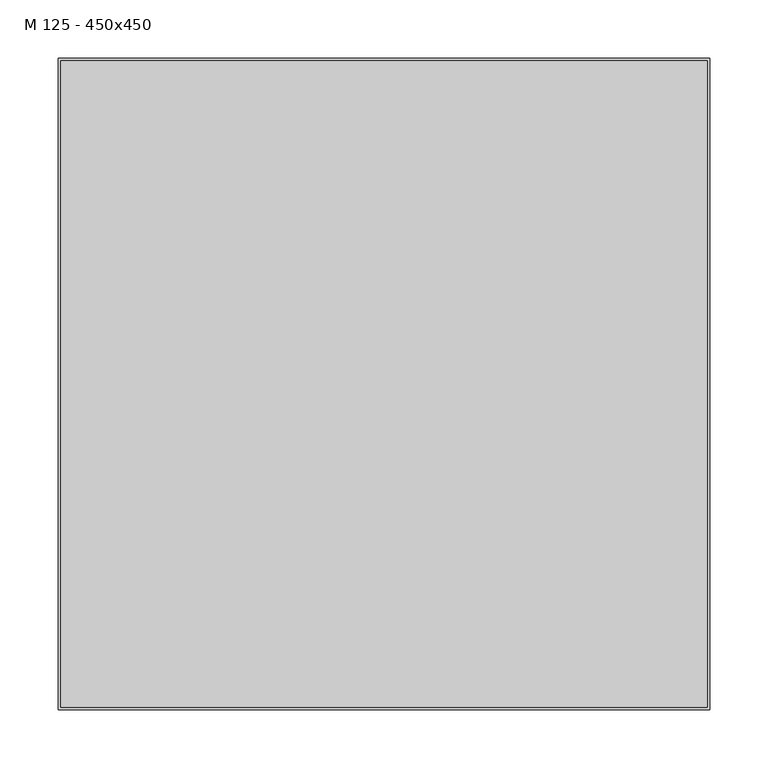
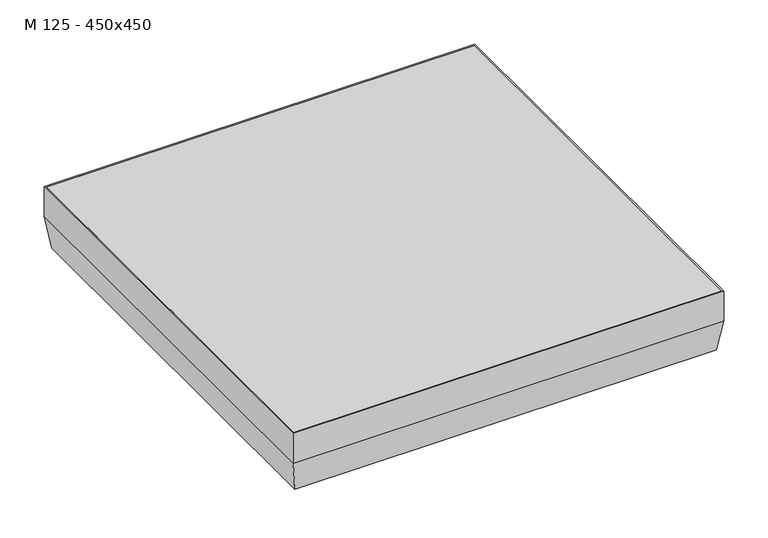
"""IFC4 building model written with IfcOpenShell, lengths in millimetres: proxy geometry, M 125 - 450x450."""

from ifc_helpers import new_model, si_unit, frame, origin, place, context, project, spatial, polyline, outline, extrude, faceted_brep, source, transform, mapped, element, save


def m_125_450x450_feb239c9(model_context):
    return source(origin(), model_context, "Body", "SolidModel", [
        extrude(outline(polyline([(225.0, 225.0), (225.0, -225.0), (-225.0, -225.0), (-225.0, 225.0), (225.0, 225.0)])), frame((0.0, 0.0, -70.0), z_axis=(0.0, 0.0, 1.0), x_axis=(1.0, 0.0, 0.0)), (0.0, 0.0, 1.0), 2.0),
        extrude(outline(polyline([(277.9610723, 277.9610723), (277.9610723, -277.9610723), (-277.9610723, -277.9610723), (-277.9610723, 277.9610723), (277.9610723, 277.9610723)])), frame((0.0, 0.0, -5.0), z_axis=(0.0, 0.0, 1.0), x_axis=(1.0, 0.0, 0.0)), (0.0, 0.0, 1.0), 5.0),
        faceted_brep([(277.9610723, 277.9610723, 0.0), (277.9610723, 277.9610723, -40.6371315), (277.9610723, -277.9610723, -40.6371315), (277.9610723, -277.9610723, 0.0), (279.9610723, 279.9610723, -40.7769852), (279.9610723, 279.9610723, 0.0), (279.9610723, -279.9610723, 0.0), (279.9610723, -279.9610723, -40.7769852), (-277.9610723, -277.9610723, -40.6371315), (-277.9610723, -277.9610723, 0.0), (-279.9610723, -279.9610723, 0.0), (-279.9610723, -279.9610723, -40.7769852), (-277.9610723, 277.9610723, -40.6371315), (-277.9610723, 277.9610723, 0.0), (-279.9610723, 279.9610723, 0.0), (-279.9610723, 279.9610723, -40.7769852), (272.3587115, 272.3587115, -80.5), (272.3587115, -272.3587115, -80.5), (-272.3587115, -272.3587115, -80.5), (-272.3587115, 272.3587115, -80.5), (225.0, -225.0, -80.5), (-225.0, -225.0, -80.5), (-225.0, 225.0, -80.5), (225.0, 225.0, -80.5), (274.0972849, -274.0972849, -82.5), (-274.0972849, -274.0972849, -82.5), (-274.0972849, 274.0972849, -82.5), (274.0972849, 274.0972849, -82.5), (225.0, 225.0, -82.5), (-225.0, 225.0, -82.5), (-225.0, -225.0, -82.5), (225.0, -225.0, -82.5)], [[[0, 1, 2, 3]], [[4, 5, 6, 7]], [[3, 2, 8, 9]], [[7, 6, 10, 11]], [[9, 8, 12, 13]], [[11, 10, 14, 15]], [[13, 12, 1, 0]], [[5, 14, 10, 6], [3, 9, 13, 0]], [[15, 14, 5, 4]], [[1, 16, 17, 2]], [[2, 17, 18, 8]], [[8, 18, 19, 12]], [[16, 19, 18, 17], [20, 21, 22, 23]], [[12, 19, 16, 1]], [[24, 25, 26, 27], [28, 29, 30, 31]], [[23, 28, 31, 20]], [[20, 31, 30, 21]], [[21, 30, 29, 22]], [[22, 29, 28, 23]], [[27, 4, 7, 24]], [[24, 7, 11, 25]], [[25, 11, 15, 26]], [[26, 15, 4, 27]]]),
    ])


if __name__ == "__main__":
    model = new_model("IFC4")
    model_context = context("Model", 3, world=origin())
    ifc_project = project(units=[si_unit("LENGTHUNIT", "METRE", prefix="MILLI")], contexts=[model_context])
    site = spatial("IfcSite", under=ifc_project)
    building = spatial("IfcBuilding", under=site)
    placement = place(None, origin())
    m_125_450x450_shape = m_125_450x450_feb239c9(model_context)
    element("IfcBuildingElementProxy", 1, Name="M 125 - 450x450", ObjectType="M 125 - 450x450", at=placement, inside=building, context=model_context, shape_type="MappedRepresentation", body=[
        mapped(m_125_450x450_shape, transform((0.0, 0.0, 0.0), x_axis=(1.0, 0.0, 0.0), y_axis=(0.0, 1.0, 0.0), z_axis=(0.0, 0.0, 1.0))),
    ])
    save(model, "model.ifc")
